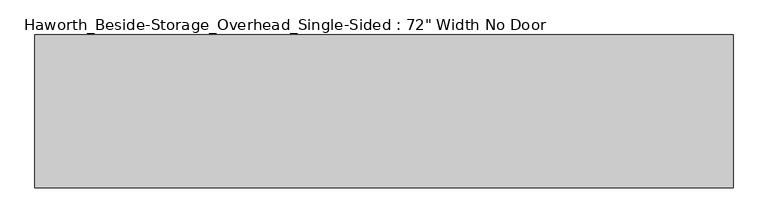
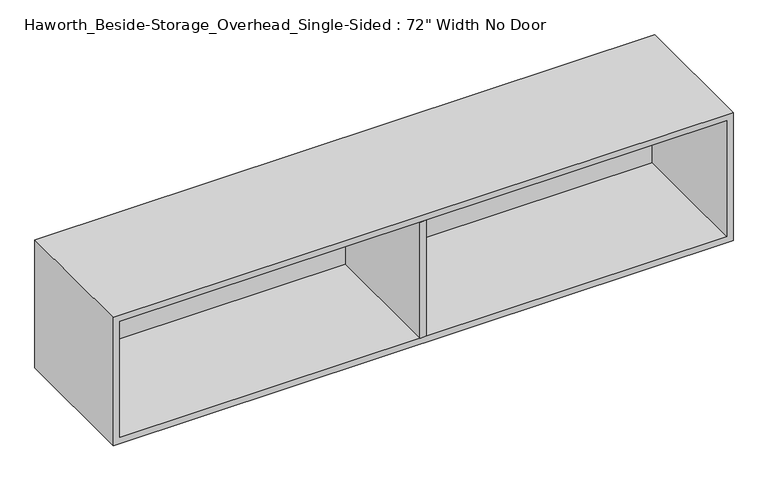
"""IFC4 building model written with IfcOpenShell, lengths in millimetres: furniture geometry."""

from ifc_helpers import new_model, si_unit, frame, origin, place, context, project, spatial, polyline, outline, extrude, source, transform, mapped, element, save


def furniture_da004d54(model_context):
    return source(origin(), model_context, "Body", "SweptSolid", [
        extrude(outline(polyline([(174.625, -400.05), (155.575, -400.05), (155.575, -19.05), (174.625, -19.05), (174.625, -400.05)])), frame((0.0, 0.0, 882.65), z_axis=(0.0, 0.0, 1.0), x_axis=(1.0, 0.0, 0.0)), (0.0, 0.0, 1.0), 361.95),
        extrude(outline(polyline([(1060.45, -19.05), (-730.25, -19.05), (-730.25, 0.0), (1060.45, 0.0), (1060.45, -19.05)])), frame((0.0, 0.0, 882.65), z_axis=(0.0, 0.0, 1.0), x_axis=(1.0, 0.0, 0.0)), (0.0, 0.0, 1.0), 361.95),
        extrude(outline(polyline([(863.6, 1079.5), (1263.65, 1079.5), (1263.65, -749.3), (863.6, -749.3), (863.6, 1079.5)]), holes=[polyline([(1244.6, 1060.45), (882.65, 1060.45), (882.65, -730.25), (1244.6, -730.25), (1244.6, 1060.45)])]), frame((0.0, -400.05, 0.0), z_axis=(0.0, 1.0, 0.0), x_axis=(0.0, 0.0, 1.0)), (0.0, 0.0, 1.0), 400.05),
    ])


if __name__ == "__main__":
    model = new_model("IFC4")
    model_context = context("Model", 3, world=origin())
    ifc_project = project(units=[si_unit("LENGTHUNIT", "METRE", prefix="MILLI")], contexts=[model_context])
    site = spatial("IfcSite", under=ifc_project)
    building = spatial("IfcBuilding", under=site)
    placement = place(None, origin())
    furniture_shape = furniture_da004d54(model_context)
    element("IfcFurniture", 1, ObjectType="Haworth_Beside-Storage_Overhead_Single-Sided : 72\" Width No Door", at=placement, inside=building, context=model_context, shape_type="MappedRepresentation", body=[
        mapped(furniture_shape, transform((0.0, 0.0, 0.0), x_axis=(1.0, 0.0, 0.0), y_axis=(0.0, 1.0, 0.0), z_axis=(0.0, 0.0, 1.0))),
    ])
    save(model, "model.ifc")
